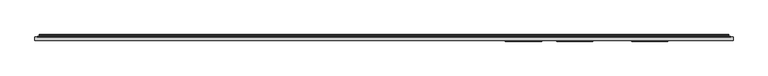
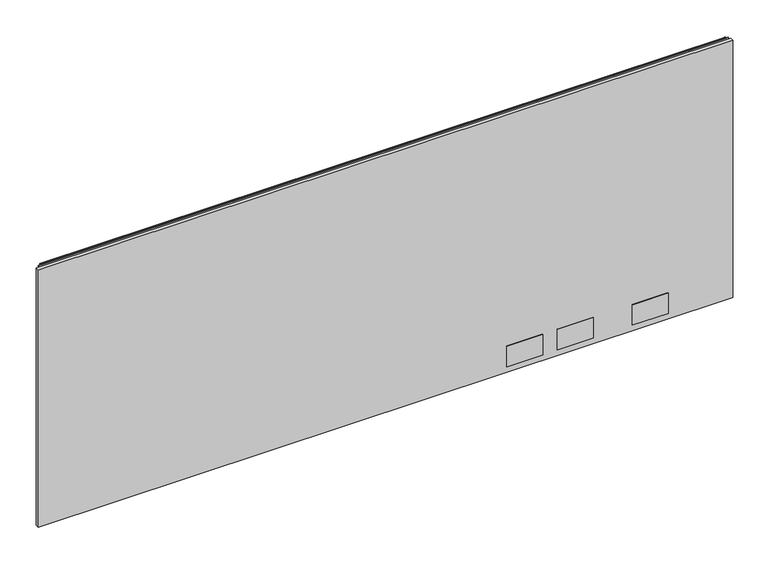
"""IFC4 building model written with IfcOpenShell, lengths in millimetres: furniture geometry."""

from ifc_helpers import new_model, si_unit, point, frame, frame_2d, origin, place, context, project, spatial, polyline, circle_curve, trimmed, segment, composite_curve, outline, extrude, source, transform, mapped, element, save


def furniture_9418f4d3(model_context):
    return source(origin(), model_context, "Body", "SweptSolid", [
        extrude(outline(polyline([(1.778, 1.45288), (1.778, 10.9778796), (1827.0219835, 10.9778796), (1827.0219835, 1.45288), (1.778, 1.45288)])), frame((0.0, 0.0, 16.0528), z_axis=(0.0, 0.0, 1.0), x_axis=(1.0, 0.0, 0.0)), (0.0, 0.0, 1.0), 715.7592871),
        extrude(outline(polyline([(1326.261016, -0.57912), (1232.027015, -0.57912), (1232.027015, 1.45288), (1326.261016, 1.45288), (1326.261016, -0.57912)])), frame((0.0, 0.0, 33.5787996), z_axis=(0.0, 0.0, 1.0), x_axis=(1.0, 0.0, 0.0)), (0.0, 0.0, 1.0), 56.6420005),
        extrude(outline(polyline([(1459.611016, -0.57912), (1365.377015, -0.57912), (1365.377015, 1.45288), (1459.611016, 1.45288), (1459.611016, -0.57912)])), frame((0.0, 0.0, 33.5787996), z_axis=(0.0, 0.0, 1.0), x_axis=(1.0, 0.0, 0.0)), (0.0, 0.0, 1.0), 56.6420005),
        extrude(outline(polyline([(1656.4610281, -0.57912), (1562.2270271, -0.57912), (1562.2270271, 1.45288), (1656.4610281, 1.45288), (1656.4610281, -0.57912)])), frame((0.0, 0.0, 33.5787996), z_axis=(0.0, 0.0, 1.0), x_axis=(1.0, 0.0, 0.0)), (0.0, 0.0, 1.0), 56.6420005),
        extrude(outline(composite_curve([segment(polyline([(10.9778796, 736.2381024), (10.9778796, 737.1805903)]), True, "CONTINUOUS"), segment(trimmed(circle_curve(frame_2d((11.6164846, 737.1805903)), 0.638605), [point((10.9778796, 737.1805903))], [point((11.6164846, 737.8191953))], False, "CARTESIAN"), True, "CONTINUOUS"), segment(polyline([(11.6164846, 737.8191953), (13.251317, 737.8191953)]), True, "CONTINUOUS"), segment(trimmed(circle_curve(frame_2d((13.251317, 735.4458753)), 2.37332), [point((13.251317, 737.8191953))], [point((15.6071079, 735.1579575))], False, "CARTESIAN"), True, "CONTINUOUS"), segment(polyline([(15.6071079, 735.1579575), (15.2080413, 731.8927287)]), True, "CONTINUOUS"), segment(trimmed(circle_curve(frame_2d((17.5068753, 731.6117719)), 2.3159393), [point((15.2080413, 731.8927287))], [point((15.5012134, 730.4538018))], True, "CARTESIAN"), True, "CONTINUOUS"), segment(polyline([(15.5012134, 730.4538018), (16.6600675, 728.4466087), (15.9781592, 728.0529085), (14.819305, 730.0601016)]), True, "CONTINUOUS"), segment(trimmed(circle_curve(frame_2d((17.5068753, 731.6117719)), 3.1033393), [point((14.819305, 730.0601016))], [point((14.4264569, 731.9882516))], False, "CARTESIAN"), True, "CONTINUOUS"), segment(polyline([(14.4264569, 731.9882516), (14.8255236, 735.2534804)]), True, "CONTINUOUS"), segment(trimmed(circle_curve(frame_2d((13.251317, 735.4458753)), 1.58592), [point((14.8255236, 735.2534804))], [point((13.251317, 737.0317953))], True, "CARTESIAN"), True, "CONTINUOUS"), segment(polyline([(13.251317, 737.0317953), (11.7652796, 737.0317953), (11.7652796, 736.2381024), (10.9778796, 736.2381024)]), True, "CONTINUOUS")], self_intersect=False)), frame((13.7160002, 0.0, 0.0), z_axis=(1.0, 0.0, 0.0), x_axis=(0.0, 1.0, 0.0)), (0.0, 0.0, 1.0), 1801.3680076),
        extrude(outline(polyline([(8.1280002, 10.9778796), (8.1280002, 11.7652796), (1820.6720078, 11.7652796), (1820.6720078, 10.9778796), (8.1280002, 10.9778796)])), frame((0.0, 0.0, 705.5612079), z_axis=(0.0, 0.0, 1.0), x_axis=(1.0, 0.0, 0.0)), (0.0, 0.0, 1.0), 30.8009179),
    ])


if __name__ == "__main__":
    model = new_model("IFC4")
    model_context = context("Model", 3, world=origin())
    ifc_project = project(units=[si_unit("LENGTHUNIT", "METRE", prefix="MILLI")], contexts=[model_context])
    site = spatial("IfcSite", under=ifc_project)
    building = spatial("IfcBuilding", under=site)
    placement = place(None, origin())
    furniture_shape = furniture_9418f4d3(model_context)
    element("IfcFurniture", 1, at=placement, inside=building, context=model_context, shape_type="MappedRepresentation", body=[
        mapped(furniture_shape, transform((0.0, 0.0, 0.0), x_axis=(1.0, 0.0, 0.0), y_axis=(0.0, 1.0, 0.0), z_axis=(0.0, 0.0, 1.0))),
    ])
    save(model, "model.ifc")
